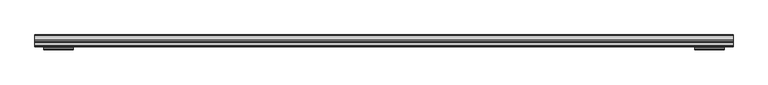
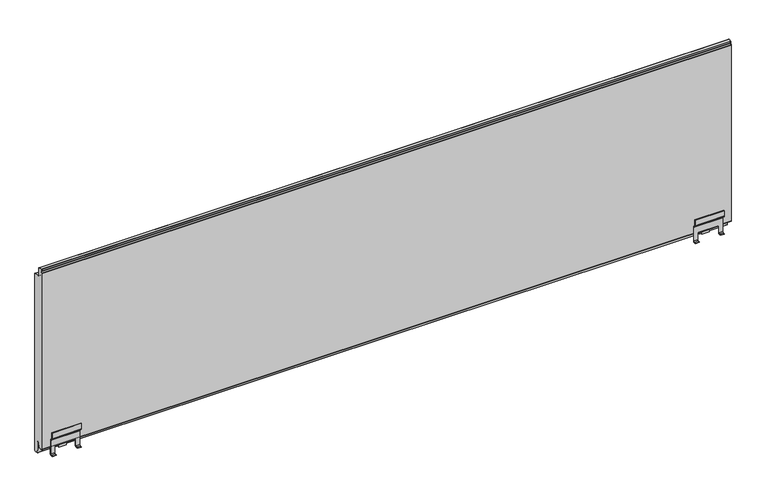
"""IFC4 building model written with IfcOpenShell, lengths in millimetres: plate geometry."""

from ifc_helpers import new_model, si_unit, point, frame, frame_2d, origin, place, context, project, spatial, polyline, circle_curve, trimmed, segment, composite_curve, outline, extrude, source, transform, mapped, element, save
from ifc_brep_helpers import plane_surface, cylinder_surface, revolved_surface, advanced_brep


def plate_39d50c0a(model_context):
    return source(origin(), model_context, "Body", "SolidModel", [
        advanced_brep(
        [(872.0, 133.5713953, 63.0766942), (872.0, 132.0713953, 63.0766942), (872.0, 132.0713953, 48.0751213), (872.0, 133.0965215, 45.6002476), (872.0, 137.9856088, 40.7111603), (872.0, 138.5713953, 39.2969467), (872.0, 138.5713953, 1.7954343), (872.0, 136.5713953, -0.2045657), (872.0, 132.0714005, -0.2045657), (872.0, 132.0714005, -1.7045657), (872.0, 136.5713953, -1.7045657), (872.0, 140.0713953, 1.7954343), (872.0, 140.0713953, 39.2969467), (872.0, 139.046269, 41.7718205), (872.0, 134.1571817, 46.6609078), (872.0, 133.5713953, 48.0751213), (796.9999948, 133.5713953, 63.0766942), (796.9999948, 133.5713953, 48.0751213), (796.9999948, 134.1571817, 46.6609078), (796.9999948, 139.046269, 41.7718205), (796.9999948, 140.0713953, 39.2969467), (796.9999948, 140.0713953, 1.7954343), (796.9999948, 136.5713953, -1.7045657), (796.9999948, 132.0714005, -1.7045657), (796.9999948, 132.0714005, -0.2045657), (796.9999948, 136.5713953, -0.2045657), (796.9999948, 138.5713953, 1.7954343), (796.9999948, 138.5713953, 39.2969467), (796.9999948, 137.9856088, 40.7111603), (796.9999948, 133.0965215, 45.6002476), (796.9999948, 132.0713953, 48.0751213), (796.9999948, 132.0713953, 63.0766942), (806.9999948, 138.5713953, 1.7954343), (806.9999948, 138.5713953, 21.4949549), (808.4999948, 138.5713953, 21.4949549), (860.4999948, 138.5713953, 21.5), (861.9999948, 138.5713953, 21.4949549), (861.9999948, 138.5713953, 1.7954343), (861.9999948, 136.5713953, -0.2045657), (806.9999948, 136.5713953, -0.2045657), (861.9999948, 132.0714005, -0.2045657), (806.9999948, 132.0714005, -0.2045657), (861.9999948, 132.0714005, -1.7045657), (806.9999948, 132.0714005, -1.7045657), (861.9999948, 136.5713953, -1.7045657), (806.9999948, 136.5713953, -1.7045657), (861.9999948, 140.0713953, 1.7954343), (806.9999948, 140.0713953, 1.7954343), (861.9999948, 140.0713953, 21.4949549), (860.4999948, 140.0713953, 21.4949549), (808.4999948, 140.0713953, 21.5), (806.9999948, 140.0713953, 21.4949549), (860.4999948, 142.0713953, 19.5), (860.4999948, 140.0450794, 18.6462229), (860.4999948, 142.0713952, 18.0), (860.4999948, 150.578346, 18.0), (860.4999948, 152.3250869, 18.4670317), (860.4999948, 154.0666457, 21.1949549), (860.4999948, 155.3220849, 31.8238549), (860.4999948, 153.8331567, 32.0), (860.4999948, 152.5652325, 21.2653996), (860.4999948, 150.5790395, 19.5), (808.4999948, 142.0713953, 19.5), (808.4999948, 150.5790395, 19.5), (808.4999948, 152.5652325, 21.2653996), (808.4999948, 153.8331567, 32.0), (808.4999948, 155.3220849, 31.8238549), (808.4999948, 154.0666457, 21.1949549), (808.4999948, 152.3250869, 18.4670317), (808.4999948, 150.578346, 18.0), (808.4999948, 148.02155, 18.0), (808.4999948, 142.0713952, 18.0), (808.4999948, 140.0713953, 18.6277187), (824.9999948, 150.578346, 18.0), (843.9999948, 150.578346, 18.0), (824.9999948, 152.3250869, 18.4670317), (843.9999948, 152.3250869, 18.4670317), (843.9999948, 151.2714005, 3.0), (824.9999948, 151.2714005, 3.0), (843.9999948, 152.7679506, 2.8983251), (824.9999948, 152.7679506, 2.8983251), (843.9999948, 154.0666457, 21.1949549), (824.9999948, 154.0666457, 21.1949549), (824.9999948, 155.3220849, 31.8238549), (843.9999948, 155.3220849, 31.8238549)],
        [
            (0, 1),
            (1, 2),
            (2, 3, circle_curve(frame((872.0, 135.5713953, 48.0751213), z_axis=(1.0, 0.0, 0.0), x_axis=(0.0, 1.0, 0.0)), 3.5)),
            (3, 4),
            (4, 5, circle_curve(frame((872.0, 136.5713953, 39.2969467), z_axis=(-1.0, 0.0, 0.0), x_axis=(0.0, 1.0, 0.0)), 2.0)),
            (5, 6),
            (6, 7, circle_curve(frame((872.0, 136.5713953, 1.7954343), z_axis=(-1.0, 0.0, 0.0), x_axis=(0.0, 1.0, 0.0)), 2.0)),
            (7, 8),
            (8, 9),
            (9, 10),
            (10, 11, circle_curve(frame((872.0, 136.5713953, 1.7954343), z_axis=(1.0, 0.0, 0.0), x_axis=(0.0, 1.0, 0.0)), 3.5)),
            (11, 12),
            (12, 13, circle_curve(frame((872.0, 136.5713953, 39.2969467), z_axis=(1.0, 0.0, 0.0), x_axis=(0.0, 1.0, 0.0)), 3.5)),
            (13, 14),
            (14, 15, circle_curve(frame((872.0, 135.5713953, 48.0751213), z_axis=(-1.0, 0.0, 0.0), x_axis=(0.0, 1.0, 0.0)), 2.0)),
            (15, 0),
            (16, 17),
            (17, 18, circle_curve(frame((796.9999948, 135.5713953, 48.0751213), z_axis=(1.0, 0.0, 0.0), x_axis=(0.0, 1.0, 0.0)), 2.0)),
            (18, 19),
            (19, 20, circle_curve(frame((796.9999948, 136.5713953, 39.2969467), z_axis=(-1.0, 0.0, 0.0), x_axis=(0.0, 1.0, 0.0)), 3.5)),
            (20, 21),
            (21, 22, circle_curve(frame((796.9999948, 136.5713953, 1.7954343), z_axis=(-1.0, 0.0, 0.0), x_axis=(0.0, 1.0, 0.0)), 3.5)),
            (22, 23),
            (23, 24),
            (24, 25),
            (25, 26, circle_curve(frame((796.9999948, 136.5713953, 1.7954343), z_axis=(1.0, 0.0, 0.0), x_axis=(0.0, 1.0, 0.0)), 2.0)),
            (26, 27),
            (27, 28, circle_curve(frame((796.9999948, 136.5713953, 39.2969467), z_axis=(1.0, 0.0, 0.0), x_axis=(0.0, 1.0, 0.0)), 2.0)),
            (28, 29),
            (29, 30, circle_curve(frame((796.9999948, 135.5713953, 48.0751213), z_axis=(-1.0, 0.0, 0.0), x_axis=(0.0, 1.0, 0.0)), 3.5)),
            (30, 31),
            (31, 16),
            (0, 16),
            (31, 1),
            (30, 2),
            (29, 3),
            (28, 4),
            (27, 5),
            (26, 32),
            (32, 33),
            (33, 34),
            (34, 35),
            (35, 36),
            (36, 37),
            (37, 6),
            (37, 38, circle_curve(frame((861.9999948, 136.5713953, 1.7954343), z_axis=(-1.0, 0.0, 0.0), x_axis=(0.0, 1.0, 0.0)), 2.0)),
            (38, 7),
            (25, 39),
            (39, 32, circle_curve(frame((806.9999948, 136.5713953, 1.7954343), z_axis=(1.0, 0.0, 0.0), x_axis=(0.0, 1.0, 0.0)), 2.0)),
            (38, 40),
            (40, 8),
            (24, 41),
            (41, 39),
            (40, 42),
            (42, 9),
            (23, 43),
            (43, 41),
            (42, 44),
            (44, 10),
            (22, 45),
            (45, 43),
            (44, 46, circle_curve(frame((861.9999948, 136.5713953, 1.7954343), z_axis=(1.0, 0.0, 0.0), x_axis=(0.0, 1.0, 0.0)), 3.5)),
            (46, 11),
            (21, 47),
            (47, 45, circle_curve(frame((806.9999948, 136.5713953, 1.7954343), z_axis=(-1.0, 0.0, 0.0), x_axis=(0.0, 1.0, 0.0)), 3.5)),
            (46, 48),
            (48, 49),
            (49, 50),
            (50, 51),
            (51, 47),
            (20, 12),
            (19, 13),
            (18, 14),
            (17, 15),
            (36, 48),
            (51, 33),
            (35, 49),
            (50, 34),
            (52, 49, circle_curve(frame((860.4999948, 142.0713953, 21.5), z_axis=(-1.0, 0.0, 0.0), x_axis=(0.0, 1.0, 0.0)), 2.0)),
            (35, 53, circle_curve(frame((860.4999948, 142.0713953, 21.5), z_axis=(1.0, 0.0, 0.0), x_axis=(0.0, 1.0, 0.0)), 3.5)),
            (53, 54, circle_curve(frame((860.4999948, 142.0713952, 21.5), z_axis=(1.0, 0.0, 0.0), x_axis=(0.0, 1.0, 0.0)), 3.5)),
            (54, 55),
            (55, 56, circle_curve(frame((860.4999948, 150.578346, 21.5), z_axis=(1.0, 0.0, 0.0), x_axis=(0.0, 1.0, 0.0)), 3.5)),
            (56, 57, circle_curve(frame((860.4999948, 150.5735903, 21.5051049), z_axis=(1.0, 0.0, 0.0), x_axis=(0.0, 1.0, 0.0)), 3.5067975)),
            (57, 58),
            (58, 59),
            (59, 60),
            (60, 61, circle_curve(frame((860.4999948, 150.5790395, 21.5), z_axis=(-1.0, 0.0, 0.0), x_axis=(0.0, 1.0, 0.0)), 2.0)),
            (61, 52),
            (62, 63),
            (63, 64, circle_curve(frame((808.4999948, 150.5790395, 21.5), z_axis=(1.0, 0.0, 0.0), x_axis=(0.0, 1.0, 0.0)), 2.0)),
            (64, 65),
            (65, 66),
            (66, 67),
            (67, 68, circle_curve(frame((808.4999948, 150.5735903, 21.5051049), z_axis=(-1.0, 0.0, 0.0), x_axis=(0.0, 1.0, 0.0)), 3.5067975)),
            (68, 69, circle_curve(frame((808.4999948, 150.578346, 21.5), z_axis=(-1.0, 0.0, 0.0), x_axis=(0.0, 1.0, 0.0)), 3.5)),
            (69, 70),
            (70, 71),
            (71, 72, circle_curve(frame((808.4999948, 142.0713952, 21.5), z_axis=(-1.0, 0.0, 0.0), x_axis=(0.0, 1.0, 0.0)), 3.5)),
            (72, 34, circle_curve(frame((808.4999948, 142.0713953, 21.5), z_axis=(-1.0, 0.0, 0.0), x_axis=(0.0, 1.0, 0.0)), 3.5)),
            (50, 62, circle_curve(frame((808.4999948, 142.0713953, 21.5), z_axis=(1.0, 0.0, 0.0), x_axis=(0.0, 1.0, 0.0)), 2.0)),
            (52, 62),
            (72, 53),
            (71, 54),
            (69, 73),
            (73, 74),
            (74, 55),
            (68, 75),
            (75, 76),
            (76, 56),
            (77, 76),
            (75, 78),
            (78, 77),
            (79, 77),
            (78, 80),
            (80, 79),
            (81, 79),
            (80, 82),
            (82, 81),
            (57, 81),
            (82, 67),
            (66, 83),
            (83, 84),
            (84, 58),
            (65, 59),
            (64, 60),
            (63, 61),
            (81, 76, circle_curve(frame((843.9999948, 150.5735903, 21.5051049), z_axis=(-1.0, 0.0, 0.0), x_axis=(0.0, 1.0, 0.0)), 3.5067975)),
            (75, 82, circle_curve(frame((824.9999948, 150.5735903, 21.5051049), z_axis=(1.0, 0.0, 0.0), x_axis=(0.0, 1.0, 0.0)), 3.5067975)),
        ],
        [
            plane_surface(frame((872.0, 132.0713953, 63.7908685), z_axis=(1.0, 0.0, 0.0), x_axis=(0.0, 1.0, 0.0))),
            plane_surface(frame((796.9999948, 132.0713953, 63.7908685), z_axis=(-1.0, 0.0, 0.0), x_axis=(0.0, 1.0, 0.0))),
            plane_surface(frame((872.0, 133.5713953, 63.0766942), z_axis=(0.0, 0.0, 1.0), x_axis=(-1.0, 0.0, 0.0))),
            plane_surface(frame((872.0, 132.0713953, 63.0766942), z_axis=(0.0, -1.0, 0.0), x_axis=(-1.0, 0.0, 0.0))),
            cylinder_surface(frame((872.0, 135.5713953, 48.0751213), z_axis=(1.0, 0.0, 0.0), x_axis=(0.0, 1.0, 0.0)), 3.5),
            plane_surface(frame((872.0, 133.0965215, 45.6002476), z_axis=(0.0, -0.7071067811823375, -0.7071067811907575), x_axis=(-1.0, 0.0, 0.0))),
            revolved_surface(polyline([(796.9999948, 138.5713953, 39.2969467), (872.0, 138.5713953, 39.2969467)]), (872.0, 136.5713953, 39.2969467), (-1.0, 0.0, 0.0)),
            plane_surface(frame((872.0, 138.5713953, 39.2969467), z_axis=(0.0, -1.0, 0.0), x_axis=(-1.0, 0.0, 0.0))),
            revolved_surface(polyline([(861.9999948, 138.5713953, 1.7954343), (872.0, 138.5713953, 1.7954343)]), (872.0, 136.5713953, 1.7954343), (-1.0, 0.0, 0.0)),
            revolved_surface(polyline([(796.9999948, 138.5713953, 1.7954343), (806.9999948, 138.5713953, 1.7954343)]), (872.0, 136.5713953, 1.7954343), (-1.0, 0.0, 0.0)),
            plane_surface(frame((872.0, 136.5713953, -0.2045657), z_axis=(0.0, 0.0, 1.0), x_axis=(-1.0, 0.0, 0.0))),
            plane_surface(frame((872.0, 132.0714005, -0.2045657), z_axis=(0.0, -1.0, 0.0), x_axis=(-1.0, 0.0, 0.0))),
            plane_surface(frame((872.0, 132.0714005, -1.7045657), z_axis=(0.0, 0.0, -1.0), x_axis=(-1.0, 0.0, 0.0))),
            cylinder_surface(frame((872.0, 136.5713953, 1.7954343), z_axis=(1.0, 0.0, 0.0), x_axis=(0.0, 1.0, 0.0)), 3.5),
            plane_surface(frame((872.0, 140.0713953, 1.7954343), z_axis=(0.0, 1.0, 0.0), x_axis=(-1.0, 0.0, 0.0))),
            cylinder_surface(frame((872.0, 136.5713953, 39.2969467), z_axis=(1.0, 0.0, 0.0), x_axis=(0.0, 1.0, 0.0)), 3.5),
            plane_surface(frame((872.0, 139.046269, 41.7718205), z_axis=(0.0, 0.707106781190757, 0.707106781182338), x_axis=(-1.0, 0.0, 0.0))),
            revolved_surface(polyline([(796.9999948, 137.5713953, 48.0751213), (872.0, 137.5713953, 48.0751213)]), (872.0, 135.5713953, 48.0751213), (-1.0, 0.0, 0.0)),
            plane_surface(frame((872.0, 133.5713953, 48.0751213), z_axis=(0.0, 1.0, 0.0), x_axis=(-1.0, 0.0, 0.0))),
            plane_surface(frame((861.9999948, 140.0713953, 21.4949549), z_axis=(-1.0, 0.0, 0.0), x_axis=(0.0, -1.0, 0.0))),
            plane_surface(frame((806.9999948, 140.0713953, -2.7091315), z_axis=(1.0, 0.0, 0.0), x_axis=(0.0, -1.0, 0.0))),
            plane_surface(frame((806.9999948, 140.0713953, 21.4949549), z_axis=(0.0, 0.0, -1.0), x_axis=(0.0, -1.0, 0.0))),
            plane_surface(frame((860.4999948, 132.0713953, 32.4954343), z_axis=(1.0, 0.0, 0.0), x_axis=(0.0, 1.0, 0.0))),
            plane_surface(frame((808.4999948, 132.0713953, 32.4954343), z_axis=(-1.0, 0.0, 0.0), x_axis=(0.0, 1.0, 0.0))),
            revolved_surface(polyline([(808.4999948, 144.0713953, 21.5), (860.4999948, 144.0713953, 21.5)]), (860.4999948, 142.0713953, 21.5), (-1.0, 0.0, 0.0)),
            cylinder_surface(frame((860.4999948, 142.0713953, 21.5), z_axis=(1.0, 0.0, 0.0), x_axis=(0.0, 1.0, 0.0)), 3.5),
            cylinder_surface(frame((860.4999948, 142.0713952, 21.5), z_axis=(1.0, 0.0, 0.0), x_axis=(0.0, 1.0, 0.0)), 3.5),
            plane_surface(frame((860.4999948, 142.0713952, 18.0), z_axis=(0.0, 0.0, -1.0), x_axis=(-1.0, 0.0, 0.0))),
            cylinder_surface(frame((860.4999948, 150.578346, 21.5), z_axis=(1.0, 0.0, 0.0), x_axis=(0.0, 1.0, 0.0)), 3.5),
            plane_surface(frame((860.4999948, 152.3250869, 18.4670317), z_axis=(0.0, -0.9976875606869263, 0.06796713360566971), x_axis=(-1.0, 0.0, 0.0))),
            plane_surface(frame((860.4999948, 151.2714005, 3.0), z_axis=(0.0, -0.06778329456574599, -0.9977000676444867), x_axis=(-1.0, 0.0, 0.0))),
            plane_surface(frame((860.4999948, 152.7679506, 2.8983251), z_axis=(0.0, 0.9974903975436773, -0.07080188421332127), x_axis=(-1.0, 0.0, 0.0))),
            plane_surface(frame((860.4999948, 154.5718662, 25.4722938), z_axis=(0.0, 0.9930964999268389, -0.11730022094208546), x_axis=(-1.0, 0.0, 0.0))),
            plane_surface(frame((860.4999948, 155.3220849, 31.8238549), z_axis=(0.0, 0.11748400802588121, 0.9930747745553579), x_axis=(-1.0, 0.0, 0.0))),
            plane_surface(frame((860.4999948, 153.8331567, 32.0), z_axis=(0.0, -0.9930964999255651, 0.1173002209528698), x_axis=(-1.0, 0.0, 0.0))),
            revolved_surface(polyline([(808.4999948, 152.5790395, 21.5), (860.4999948, 152.5790395, 21.5)]), (860.4999948, 150.5790395, 21.5), (-1.0, 0.0, 0.0)),
            plane_surface(frame((860.4999948, 150.5790395, 19.5), z_axis=(0.0, 0.0, 1.0), x_axis=(-1.0, 0.0, 0.0))),
            plane_surface(frame((843.9999948, 154.0803878, 21.5051049), z_axis=(1.0, 0.0, 0.0), x_axis=(0.0, 0.0, 1.0))),
            cylinder_surface(frame((860.4999948, 150.5735903, 21.5051049), z_axis=(1.0, 0.0, 0.0), x_axis=(0.0, 1.0, 0.0)), 3.5067975),
            plane_surface(frame((824.9999948, 154.0803878, 21.5051049), z_axis=(-1.0, 0.0, 0.0), x_axis=(0.0, 0.0, -1.0))),
            cylinder_surface(frame((824.9999948, 150.5735903, 21.5051049), z_axis=(1.0, 0.0, 0.0), x_axis=(0.0, 1.0, 0.0)), 3.5067975),
        ],
        [
            (0, [[1, 2, 3, 4, 5, 6, 7, 8, 9, 10, 11, 12, 13, 14, 15, 16]]),
            (1, [[17, 18, 19, 20, 21, 22, 23, 24, 25, 26, 27, 28, 29, 30, 31, 32]]),
            (2, [[-1, 33, -32, 34]]),
            (3, [[-2, -34, -31, 35]]),
            (4, [[-3, -35, -30, 36]]),
            (5, [[-4, -36, -29, 37]]),
            (6, [[-5, -37, -28, 38]]),
            (7, [[-6, -38, -27, 39, 40, 41, 42, 43, 44, 45]]),
            (8, [[-7, -45, 46, 47]]),
            (9, [[-26, 48, 49, -39]]),
            (10, [[-8, -47, 50, 51]]),
            (10, [[-25, 52, 53, -48]]),
            (11, [[-9, -51, 54, 55]]),
            (11, [[-24, 56, 57, -52]]),
            (12, [[-10, -55, 58, 59]]),
            (12, [[-23, 60, 61, -56]]),
            (13, [[-11, -59, 62, 63]]),
            (13, [[-22, 64, 65, -60]]),
            (14, [[-12, -63, 66, 67, 68, 69, 70, -64, -21, 71]]),
            (15, [[-13, -71, -20, 72]]),
            (16, [[-14, -72, -19, 73]]),
            (17, [[-15, -73, -18, 74]]),
            (18, [[-16, -74, -17, -33]]),
            (19, [[75, -66, -62, -58, -54, -50, -46, -44]]),
            (20, [[76, -40, -49, -53, -57, -61, -65, -70]]),
            (21, [[-75, -43, 77, -67]]),
            (21, [[-76, -69, 78, -41]]),
            (22, [[79, -77, 80, 81, 82, 83, 84, 85, 86, 87, 88, 89]]),
            (23, [[90, 91, 92, 93, 94, 95, 96, 97, 98, 99, 100, -78, 101]]),
            (24, [[-79, 102, -101, -68]]),
            (25, [[-80, -42, -100, 103]]),
            (26, [[-81, -103, -99, 104]]),
            (27, [[-82, -104, -98, -97, 105, 106, 107]]),
            (28, [[-83, -107, -106, -105, -96, 108, 109, 110]]),
            (29, [[111, -109, 112, 113]]),
            (30, [[114, -113, 115, 116]]),
            (31, [[117, -116, 118, 119]]),
            (32, [[-85, 120, -119, 121, -94, 122, 123, 124]]),
            (33, [[-86, -124, -123, -122, -93, 125]]),
            (34, [[-87, -125, -92, 126]]),
            (35, [[-88, -126, -91, 127]]),
            (36, [[-89, -127, -90, -102]]),
            (37, [[128, -111, -114, -117]]),
            (38, [[-128, -120, -84, -110]]),
            (39, [[129, -118, -115, -112]]),
            (40, [[-129, -108, -95, -121]]),
        ],
    ),
        advanced_brep(
        [(-872.0, 133.5713953, 63.0766942), (-872.0, 133.5713953, 48.0751213), (-872.0, 134.1571817, 46.6609078), (-872.0, 139.046269, 41.7718205), (-872.0, 140.0713953, 39.2969467), (-872.0, 140.0713953, 1.7954343), (-872.0, 136.5713953, -1.7045657), (-872.0, 132.0714005, -1.7045657), (-872.0, 132.0714005, -0.2045657), (-872.0, 136.5713953, -0.2045657), (-872.0, 138.5713953, 1.7954343), (-872.0, 138.5713953, 39.2969467), (-872.0, 137.9856088, 40.7111603), (-872.0, 133.0965215, 45.6002476), (-872.0, 132.0713953, 48.0751213), (-872.0, 132.0713953, 63.0766942), (-796.9999948, 133.5713953, 63.0766942), (-796.9999948, 132.0713953, 63.0766942), (-796.9999948, 132.0713953, 48.0751213), (-796.9999948, 133.0965215, 45.6002476), (-796.9999948, 137.9856088, 40.7111603), (-796.9999948, 138.5713953, 39.2969467), (-796.9999948, 138.5713953, 1.7954343), (-796.9999948, 136.5713953, -0.2045657), (-796.9999948, 132.0714005, -0.2045657), (-796.9999948, 132.0714005, -1.7045657), (-796.9999948, 136.5713953, -1.7045657), (-796.9999948, 140.0713953, 1.7954343), (-796.9999948, 140.0713953, 39.2969467), (-796.9999948, 139.046269, 41.7718205), (-796.9999948, 134.1571817, 46.6609078), (-796.9999948, 133.5713953, 48.0751213), (-861.9999948, 138.5713953, 1.7954343), (-861.9999948, 138.5713953, 21.4949549), (-860.4999948, 138.5713953, 21.4949549), (-808.4999948, 138.5713953, 21.5), (-806.9999948, 138.5713953, 21.4949549), (-806.9999948, 138.5713953, 1.7954343), (-806.9999948, 136.5713953, -0.2045657), (-861.9999948, 136.5713953, -0.2045657), (-806.9999948, 132.0714005, -0.2045657), (-861.9999948, 132.0714005, -0.2045657), (-806.9999948, 132.0714005, -1.7045657), (-861.9999948, 132.0714005, -1.7045657), (-806.9999948, 136.5713953, -1.7045657), (-861.9999948, 136.5713953, -1.7045657), (-806.9999948, 140.0713953, 1.7954343), (-861.9999948, 140.0713953, 1.7954343), (-806.9999948, 140.0713953, 21.4949549), (-808.4999948, 140.0713953, 21.4949549), (-860.4999948, 140.0713953, 21.5), (-861.9999948, 140.0713953, 21.4949549), (-860.4999948, 142.0713953, 19.5), (-860.4999948, 150.5790395, 19.5), (-860.4999948, 152.5652325, 21.2653996), (-860.4999948, 153.8331567, 32.0), (-860.4999948, 155.3220849, 31.8238549), (-860.4999948, 154.0666457, 21.1949549), (-860.4999948, 152.3250869, 18.4670317), (-860.4999948, 150.578346, 18.0), (-860.4999948, 142.0713952, 18.0), (-860.4999948, 140.0713953, 18.6277187), (-808.4999948, 142.0713953, 19.5), (-808.4999948, 140.0450794, 18.6462229), (-808.4999948, 142.0713952, 18.0), (-808.4999948, 148.02155, 18.0), (-808.4999948, 150.578346, 18.0), (-808.4999948, 152.3250869, 18.4670317), (-808.4999948, 154.0666457, 21.1949549), (-808.4999948, 155.3220849, 31.8238549), (-808.4999948, 153.8331567, 32.0), (-808.4999948, 152.5652325, 21.2653996), (-808.4999948, 150.5790395, 19.5), (-843.9999948, 150.578346, 18.0), (-824.9999948, 150.578346, 18.0), (-843.9999948, 152.3250869, 18.4670317), (-824.9999948, 152.3250869, 18.4670317), (-843.9999948, 151.2714005, 3.0), (-824.9999948, 151.2714005, 3.0), (-843.9999948, 152.7679506, 2.8983251), (-824.9999948, 152.7679506, 2.8983251), (-843.9999948, 154.0666457, 21.1949549), (-824.9999948, 154.0666457, 21.1949549), (-843.9999948, 155.3220849, 31.8238549), (-824.9999948, 155.3220849, 31.8238549)],
        [
            (0, 1),
            (1, 2, circle_curve(frame((-872.0, 135.5713953, 48.0751213), z_axis=(1.0, 0.0, 0.0), x_axis=(0.0, 1.0, 0.0)), 2.0)),
            (2, 3),
            (3, 4, circle_curve(frame((-872.0, 136.5713953, 39.2969467), z_axis=(-1.0, 0.0, 0.0), x_axis=(0.0, 1.0, 0.0)), 3.5)),
            (4, 5),
            (5, 6, circle_curve(frame((-872.0, 136.5713953, 1.7954343), z_axis=(-1.0, 0.0, 0.0), x_axis=(0.0, 1.0, 0.0)), 3.5)),
            (6, 7),
            (7, 8),
            (8, 9),
            (9, 10, circle_curve(frame((-872.0, 136.5713953, 1.7954343), z_axis=(1.0, 0.0, 0.0), x_axis=(0.0, 1.0, 0.0)), 2.0)),
            (10, 11),
            (11, 12, circle_curve(frame((-872.0, 136.5713953, 39.2969467), z_axis=(1.0, 0.0, 0.0), x_axis=(0.0, 1.0, 0.0)), 2.0)),
            (12, 13),
            (13, 14, circle_curve(frame((-872.0, 135.5713953, 48.0751213), z_axis=(-1.0, 0.0, 0.0), x_axis=(0.0, 1.0, 0.0)), 3.5)),
            (14, 15),
            (15, 0),
            (16, 17),
            (17, 18),
            (18, 19, circle_curve(frame((-796.9999948, 135.5713953, 48.0751213), z_axis=(1.0, 0.0, 0.0), x_axis=(0.0, 1.0, 0.0)), 3.5)),
            (19, 20),
            (20, 21, circle_curve(frame((-796.9999948, 136.5713953, 39.2969467), z_axis=(-1.0, 0.0, 0.0), x_axis=(0.0, 1.0, 0.0)), 2.0)),
            (21, 22),
            (22, 23, circle_curve(frame((-796.9999948, 136.5713953, 1.7954343), z_axis=(-1.0, 0.0, 0.0), x_axis=(0.0, 1.0, 0.0)), 2.0)),
            (23, 24),
            (24, 25),
            (25, 26),
            (26, 27, circle_curve(frame((-796.9999948, 136.5713953, 1.7954343), z_axis=(1.0, 0.0, 0.0), x_axis=(0.0, 1.0, 0.0)), 3.5)),
            (27, 28),
            (28, 29, circle_curve(frame((-796.9999948, 136.5713953, 39.2969467), z_axis=(1.0, 0.0, 0.0), x_axis=(0.0, 1.0, 0.0)), 3.5)),
            (29, 30),
            (30, 31, circle_curve(frame((-796.9999948, 135.5713953, 48.0751213), z_axis=(-1.0, 0.0, 0.0), x_axis=(0.0, 1.0, 0.0)), 2.0)),
            (31, 16),
            (15, 17),
            (16, 0),
            (14, 18),
            (13, 19),
            (12, 20),
            (11, 21),
            (10, 32),
            (32, 33),
            (33, 34),
            (34, 35),
            (35, 36),
            (36, 37),
            (37, 22),
            (37, 38, circle_curve(frame((-806.9999948, 136.5713953, 1.7954343), z_axis=(-1.0, 0.0, 0.0), x_axis=(0.0, 1.0, 0.0)), 2.0)),
            (38, 23),
            (9, 39),
            (39, 32, circle_curve(frame((-861.9999948, 136.5713953, 1.7954343), z_axis=(1.0, 0.0, 0.0), x_axis=(0.0, 1.0, 0.0)), 2.0)),
            (38, 40),
            (40, 24),
            (8, 41),
            (41, 39),
            (40, 42),
            (42, 25),
            (7, 43),
            (43, 41),
            (42, 44),
            (44, 26),
            (6, 45),
            (45, 43),
            (44, 46, circle_curve(frame((-806.9999948, 136.5713953, 1.7954343), z_axis=(1.0, 0.0, 0.0), x_axis=(0.0, 1.0, 0.0)), 3.5)),
            (46, 27),
            (5, 47),
            (47, 45, circle_curve(frame((-861.9999948, 136.5713953, 1.7954343), z_axis=(-1.0, 0.0, 0.0), x_axis=(0.0, 1.0, 0.0)), 3.5)),
            (4, 28),
            (46, 48),
            (48, 49),
            (49, 50),
            (50, 51),
            (51, 47),
            (3, 29),
            (2, 30),
            (1, 31),
            (51, 33),
            (36, 48),
            (35, 49),
            (50, 34),
            (52, 53),
            (53, 54, circle_curve(frame((-860.4999948, 150.5790395, 21.5), z_axis=(1.0, 0.0, 0.0), x_axis=(0.0, 1.0, 0.0)), 2.0)),
            (54, 55),
            (55, 56),
            (56, 57),
            (57, 58, circle_curve(frame((-860.4999948, 150.5735903, 21.5051049), z_axis=(-1.0, 0.0, 0.0), x_axis=(0.0, 1.0, 0.0)), 3.5067975)),
            (58, 59, circle_curve(frame((-860.4999948, 150.578346, 21.5), z_axis=(-1.0, 0.0, 0.0), x_axis=(0.0, 1.0, 0.0)), 3.5)),
            (59, 60),
            (60, 61, circle_curve(frame((-860.4999948, 142.0713952, 21.5), z_axis=(-1.0, 0.0, 0.0), x_axis=(0.0, 1.0, 0.0)), 3.5)),
            (61, 34, circle_curve(frame((-860.4999948, 142.0713953, 21.5), z_axis=(-1.0, 0.0, 0.0), x_axis=(0.0, 1.0, 0.0)), 3.5)),
            (50, 52, circle_curve(frame((-860.4999948, 142.0713953, 21.5), z_axis=(1.0, 0.0, 0.0), x_axis=(0.0, 1.0, 0.0)), 2.0)),
            (62, 49, circle_curve(frame((-808.4999948, 142.0713953, 21.5), z_axis=(-1.0, 0.0, 0.0), x_axis=(0.0, 1.0, 0.0)), 2.0)),
            (35, 63, circle_curve(frame((-808.4999948, 142.0713953, 21.5), z_axis=(1.0, 0.0, 0.0), x_axis=(0.0, 1.0, 0.0)), 3.5)),
            (63, 64, circle_curve(frame((-808.4999948, 142.0713952, 21.5), z_axis=(1.0, 0.0, 0.0), x_axis=(0.0, 1.0, 0.0)), 3.5)),
            (64, 65),
            (65, 66),
            (66, 67, circle_curve(frame((-808.4999948, 150.578346, 21.5), z_axis=(1.0, 0.0, 0.0), x_axis=(0.0, 1.0, 0.0)), 3.5)),
            (67, 68, circle_curve(frame((-808.4999948, 150.5735903, 21.5051049), z_axis=(1.0, 0.0, 0.0), x_axis=(0.0, 1.0, 0.0)), 3.5067975)),
            (68, 69),
            (69, 70),
            (70, 71),
            (71, 72, circle_curve(frame((-808.4999948, 150.5790395, 21.5), z_axis=(-1.0, 0.0, 0.0), x_axis=(0.0, 1.0, 0.0)), 2.0)),
            (72, 62),
            (62, 52),
            (61, 63),
            (60, 64),
            (59, 73),
            (73, 74),
            (74, 66),
            (58, 75),
            (75, 76),
            (76, 67),
            (77, 78),
            (78, 76),
            (75, 77),
            (79, 80),
            (80, 78),
            (77, 79),
            (81, 82),
            (82, 80),
            (79, 81),
            (56, 83),
            (83, 84),
            (84, 69),
            (68, 82),
            (81, 57),
            (55, 70),
            (54, 71),
            (53, 72),
            (75, 81, circle_curve(frame((-843.9999948, 150.5735903, 21.5051049), z_axis=(1.0, 0.0, 0.0), x_axis=(0.0, 1.0, 0.0)), 3.5067975)),
            (82, 76, circle_curve(frame((-824.9999948, 150.5735903, 21.5051049), z_axis=(-1.0, 0.0, 0.0), x_axis=(0.0, 1.0, 0.0)), 3.5067975)),
        ],
        [
            plane_surface(frame((-872.0, 132.0713953, 63.7908685), z_axis=(-1.0, 0.0, 0.0), x_axis=(0.0, 1.0, 0.0))),
            plane_surface(frame((-796.9999948, 132.0713953, 63.7908685), z_axis=(1.0, 0.0, 0.0), x_axis=(0.0, 1.0, 0.0))),
            plane_surface(frame((-872.0, 133.5713953, 63.0766942), z_axis=(0.0, 0.0, 1.0), x_axis=(1.0, 0.0, 0.0))),
            plane_surface(frame((-872.0, 132.0713953, 63.0766942), z_axis=(0.0, -1.0, 0.0), x_axis=(1.0, 0.0, 0.0))),
            cylinder_surface(frame((-872.0, 135.5713953, 48.0751213), z_axis=(-1.0, 0.0, 0.0), x_axis=(0.0, 1.0, 0.0)), 3.5),
            plane_surface(frame((-872.0, 133.0965215, 45.6002476), z_axis=(0.0, -0.7071067811823375, -0.7071067811907575), x_axis=(1.0, 0.0, 0.0))),
            revolved_surface(polyline([(-796.9999948, 138.5713953, 39.2969467), (-872.0, 138.5713953, 39.2969467)]), (-872.0, 136.5713953, 39.2969467), (1.0, 0.0, 0.0)),
            plane_surface(frame((-872.0, 138.5713953, 39.2969467), z_axis=(0.0, -1.0, 0.0), x_axis=(1.0, 0.0, 0.0))),
            revolved_surface(polyline([(-796.9999948, 138.5713953, 1.7954343), (-806.9999948, 138.5713953, 1.7954343)]), (-872.0, 136.5713953, 1.7954343), (1.0, 0.0, 0.0)),
            revolved_surface(polyline([(-861.9999948, 138.5713953, 1.7954343), (-872.0, 138.5713953, 1.7954343)]), (-872.0, 136.5713953, 1.7954343), (1.0, 0.0, 0.0)),
            plane_surface(frame((-872.0, 136.5713953, -0.2045657), z_axis=(0.0, 0.0, 1.0), x_axis=(1.0, 0.0, 0.0))),
            plane_surface(frame((-872.0, 132.0714005, -0.2045657), z_axis=(0.0, -1.0, 0.0), x_axis=(1.0, 0.0, 0.0))),
            plane_surface(frame((-872.0, 132.0714005, -1.7045657), z_axis=(0.0, 0.0, -1.0), x_axis=(1.0, 0.0, 0.0))),
            cylinder_surface(frame((-872.0, 136.5713953, 1.7954343), z_axis=(-1.0, 0.0, 0.0), x_axis=(0.0, 1.0, 0.0)), 3.5),
            plane_surface(frame((-872.0, 140.0713953, 1.7954343), z_axis=(0.0, 1.0, 0.0), x_axis=(1.0, 0.0, 0.0))),
            cylinder_surface(frame((-872.0, 136.5713953, 39.2969467), z_axis=(-1.0, 0.0, 0.0), x_axis=(0.0, 1.0, 0.0)), 3.5),
            plane_surface(frame((-872.0, 139.046269, 41.7718205), z_axis=(0.0, 0.707106781190757, 0.707106781182338), x_axis=(1.0, 0.0, 0.0))),
            revolved_surface(polyline([(-796.9999948, 137.5713953, 48.0751213), (-872.0, 137.5713953, 48.0751213)]), (-872.0, 135.5713953, 48.0751213), (1.0, 0.0, 0.0)),
            plane_surface(frame((-872.0, 133.5713953, 48.0751213), z_axis=(0.0, 1.0, 0.0), x_axis=(1.0, 0.0, 0.0))),
            plane_surface(frame((-861.9999948, 140.0713953, 21.4949549), z_axis=(1.0, 0.0, 0.0), x_axis=(0.0, -1.0, 0.0))),
            plane_surface(frame((-806.9999948, 140.0713953, -2.7091315), z_axis=(-1.0, 0.0, 0.0), x_axis=(0.0, -1.0, 0.0))),
            plane_surface(frame((-806.9999948, 140.0713953, 21.4949549), z_axis=(0.0, 0.0, -1.0), x_axis=(0.0, -1.0, 0.0))),
            plane_surface(frame((-860.4999948, 132.0713953, 32.4954343), z_axis=(-1.0, 0.0, 0.0), x_axis=(0.0, 1.0, 0.0))),
            plane_surface(frame((-808.4999948, 132.0713953, 32.4954343), z_axis=(1.0, 0.0, 0.0), x_axis=(0.0, 1.0, 0.0))),
            revolved_surface(polyline([(-808.4999948, 144.0713953, 21.5), (-860.4999948, 144.0713953, 21.5)]), (-860.4999948, 142.0713953, 21.5), (1.0, 0.0, 0.0)),
            cylinder_surface(frame((-860.4999948, 142.0713953, 21.5), z_axis=(-1.0, 0.0, 0.0), x_axis=(0.0, 1.0, 0.0)), 3.5),
            cylinder_surface(frame((-860.4999948, 142.0713952, 21.5), z_axis=(-1.0, 0.0, 0.0), x_axis=(0.0, 1.0, 0.0)), 3.5),
            plane_surface(frame((-860.4999948, 142.0713952, 18.0), z_axis=(0.0, 0.0, -1.0), x_axis=(1.0, 0.0, 0.0))),
            cylinder_surface(frame((-860.4999948, 150.578346, 21.5), z_axis=(-1.0, 0.0, 0.0), x_axis=(0.0, 1.0, 0.0)), 3.5),
            plane_surface(frame((-860.4999948, 152.3250869, 18.4670317), z_axis=(0.0, -0.9976875606869263, 0.06796713360566971), x_axis=(1.0, 0.0, 0.0))),
            plane_surface(frame((-860.4999948, 151.2714005, 3.0), z_axis=(0.0, -0.06778329456574599, -0.9977000676444867), x_axis=(1.0, 0.0, 0.0))),
            plane_surface(frame((-860.4999948, 152.7679506, 2.8983251), z_axis=(0.0, 0.9974903975436773, -0.07080188421332127), x_axis=(1.0, 0.0, 0.0))),
            plane_surface(frame((-860.4999948, 154.5718662, 25.4722938), z_axis=(0.0, 0.9930964999268389, -0.11730022094208546), x_axis=(1.0, 0.0, 0.0))),
            plane_surface(frame((-860.4999948, 155.3220849, 31.8238549), z_axis=(0.0, 0.11748400802588121, 0.9930747745553579), x_axis=(1.0, 0.0, 0.0))),
            plane_surface(frame((-860.4999948, 153.8331567, 32.0), z_axis=(0.0, -0.9930964999255651, 0.1173002209528698), x_axis=(1.0, 0.0, 0.0))),
            revolved_surface(polyline([(-808.4999948, 152.5790395, 21.5), (-860.4999948, 152.5790395, 21.5)]), (-860.4999948, 150.5790395, 21.5), (1.0, 0.0, 0.0)),
            plane_surface(frame((-860.4999948, 150.5790395, 19.5), z_axis=(0.0, 0.0, 1.0), x_axis=(1.0, 0.0, 0.0))),
            plane_surface(frame((-843.9999948, 154.0803878, 21.5051049), z_axis=(-1.0, 0.0, 0.0), x_axis=(0.0, 0.0, 1.0))),
            cylinder_surface(frame((-860.4999948, 150.5735903, 21.5051049), z_axis=(-1.0, 0.0, 0.0), x_axis=(0.0, 1.0, 0.0)), 3.5067975),
            plane_surface(frame((-824.9999948, 154.0803878, 21.5051049), z_axis=(1.0, 0.0, 0.0), x_axis=(0.0, 0.0, -1.0))),
            cylinder_surface(frame((-824.9999948, 150.5735903, 21.5051049), z_axis=(-1.0, 0.0, 0.0), x_axis=(0.0, 1.0, 0.0)), 3.5067975),
        ],
        [
            (0, [[1, 2, 3, 4, 5, 6, 7, 8, 9, 10, 11, 12, 13, 14, 15, 16]]),
            (1, [[17, 18, 19, 20, 21, 22, 23, 24, 25, 26, 27, 28, 29, 30, 31, 32]]),
            (2, [[33, -17, 34, -16]]),
            (3, [[35, -18, -33, -15]]),
            (4, [[36, -19, -35, -14]]),
            (5, [[37, -20, -36, -13]]),
            (6, [[38, -21, -37, -12]]),
            (7, [[39, 40, 41, 42, 43, 44, 45, -22, -38, -11]]),
            (8, [[-45, 46, 47, -23]]),
            (9, [[48, 49, -39, -10]]),
            (10, [[-47, 50, 51, -24]]),
            (10, [[52, 53, -48, -9]]),
            (11, [[-51, 54, 55, -25]]),
            (11, [[56, 57, -52, -8]]),
            (12, [[-55, 58, 59, -26]]),
            (12, [[60, 61, -56, -7]]),
            (13, [[-59, 62, 63, -27]]),
            (13, [[64, 65, -60, -6]]),
            (14, [[66, -28, -63, 67, 68, 69, 70, 71, -64, -5]]),
            (15, [[72, -29, -66, -4]]),
            (16, [[73, -30, -72, -3]]),
            (17, [[74, -31, -73, -2]]),
            (18, [[-34, -32, -74, -1]]),
            (19, [[-40, -49, -53, -57, -61, -65, -71, 75]]),
            (20, [[-67, -62, -58, -54, -50, -46, -44, 76]]),
            (21, [[-43, 77, -68, -76]]),
            (21, [[-70, 78, -41, -75]]),
            (22, [[79, 80, 81, 82, 83, 84, 85, 86, 87, 88, -78, 89]]),
            (23, [[90, -77, 91, 92, 93, 94, 95, 96, 97, 98, 99, 100, 101]]),
            (24, [[-69, -90, 102, -89]]),
            (25, [[103, -91, -42, -88]]),
            (26, [[104, -92, -103, -87]]),
            (27, [[105, 106, 107, -94, -93, -104, -86]]),
            (28, [[108, 109, 110, -95, -107, -106, -105, -85]]),
            (29, [[111, 112, -109, 113]]),
            (30, [[114, 115, -111, 116]]),
            (31, [[117, 118, -114, 119]]),
            (32, [[120, 121, 122, -97, 123, -117, 124, -83]]),
            (33, [[125, -98, -122, -121, -120, -82]]),
            (34, [[126, -99, -125, -81]]),
            (35, [[127, -100, -126, -80]]),
            (36, [[-102, -101, -127, -79]]),
            (37, [[-119, -116, -113, 128]]),
            (38, [[-108, -84, -124, -128]]),
            (39, [[-112, -115, -118, 129]]),
            (40, [[-123, -96, -110, -129]]),
        ],
    ),
        extrude(outline(composite_curve([segment(polyline([(140.0, 21.5), (140.0, 504.0777409)]), True, "CONTINUOUS"), segment(trimmed(circle_curve(frame_2d((142.5000998, 504.0777409)), 2.5000998), [point((140.0, 504.0777409))], [point((140.1788154, 505.0062547))], False, "CARTESIAN"), True, "CONTINUOUS"), segment(polyline([(140.1788154, 505.0062547), (141.5240269, 508.3692833)]), True, "CONTINUOUS"), segment(trimmed(circle_curve(frame_2d((139.2027425, 509.2977971)), 2.5000998), [point((141.5240269, 508.3692833))], [point((141.7028423, 509.2977971))], True, "CARTESIAN"), True, "CONTINUOUS"), segment(polyline([(141.7028423, 509.2977971), (141.7028423, 513.3165214)]), True, "CONTINUOUS"), segment(trimmed(circle_curve(frame_2d((142.2028423, 513.3165214)), 0.5), [point((141.7028423, 513.3165214))], [point((142.2028423, 513.8165214))], False, "CARTESIAN"), True, "CONTINUOUS"), segment(polyline([(142.2028423, 513.8165214), (149.5003792, 513.8165214)]), True, "CONTINUOUS"), segment(trimmed(circle_curve(frame_2d((149.5003792, 511.3164216)), 2.5000998), [point((149.5003792, 513.8165214))], [point((152.000479, 511.3164216))], False, "CARTESIAN"), True, "CONTINUOUS"), segment(polyline([(152.000479, 511.3164216), (152.000479, 493.8859869)]), True, "CONTINUOUS"), segment(trimmed(circle_curve(frame_2d((157.0006786, 493.8859869)), 5.0001996), [point((152.000479, 493.8859869))], [point((156.4568352, 488.9154507))], True, "CARTESIAN"), True, "CONTINUOUS"), segment(polyline([(156.4568352, 488.9154507), (167.6297631, 488.0170804)]), True, "CONTINUOUS"), segment(trimmed(circle_curve(frame_2d((167.5010977, 485.5202936)), 2.5000998), [point((167.6297631, 488.0170804))], [point((170.0, 485.442923))], False, "CARTESIAN"), True, "CONTINUOUS"), segment(polyline([(170.0, 485.442923), (170.0, 2.5)]), True, "CONTINUOUS"), segment(trimmed(circle_curve(frame_2d((167.5, 2.5)), 2.5), [point((170.0, 2.5))], [point((167.5, 0.0))], False, "CARTESIAN"), True, "CONTINUOUS"), segment(polyline([(167.5, 0.0), (159.5000998, 0.0)]), True, "CONTINUOUS"), segment(trimmed(circle_curve(frame_2d((159.5000998, 1.3125167)), 1.3125167), [point((159.5000998, 0.0))], [point((158.4471688, 0.5289119))], False, "CARTESIAN"), True, "CONTINUOUS"), segment(polyline([(158.4471688, 0.5289119), (157.0, 15.0), (157.0, 31.5)]), True, "CONTINUOUS"), segment(trimmed(circle_curve(frame_2d((154.5, 31.5)), 2.5), [point((157.0, 31.5))], [point((152.0836431, 32.141264))], True, "CARTESIAN"), True, "CONTINUOUS"), segment(polyline([(152.0836431, 32.141264), (150.6703466, 21.3059912)]), True, "CONTINUOUS"), segment(trimmed(circle_curve(frame_2d((149.182946, 21.5)), 1.5), [point((150.6703466, 21.3059912))], [point((149.182946, 20.0))], False, "CARTESIAN"), True, "CONTINUOUS"), segment(polyline([(149.182946, 20.0), (141.5, 20.0)]), True, "CONTINUOUS"), segment(trimmed(circle_curve(frame_2d((141.5, 21.5)), 1.5), [point((141.5, 20.0))], [point((140.0, 21.5))], False, "CARTESIAN"), True, "CONTINUOUS")], self_intersect=False)), frame((-895.0, 0.0, 0.0), z_axis=(1.0, 0.0, 0.0), x_axis=(0.0, 1.0, 0.0)), (0.0, 0.0, 1.0), 1790.0),
    ])


if __name__ == "__main__":
    model = new_model("IFC4")
    model_context = context("Model", 3, world=origin())
    ifc_project = project(units=[si_unit("LENGTHUNIT", "METRE", prefix="MILLI")], contexts=[model_context])
    site = spatial("IfcSite", under=ifc_project)
    building = spatial("IfcBuilding", under=site)
    placement = place(None, origin())
    plate_shape = plate_39d50c0a(model_context)
    element("IfcPlate", 1, at=placement, inside=building, context=model_context, shape_type="MappedRepresentation", body=[
        mapped(plate_shape, transform((0.0, 0.0, 0.0), x_axis=(1.0, 0.0, 0.0), y_axis=(0.0, 1.0, 0.0), z_axis=(0.0, 0.0, 1.0))),
    ])
    save(model, "model.ifc")
